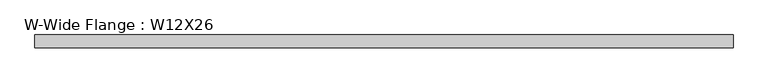
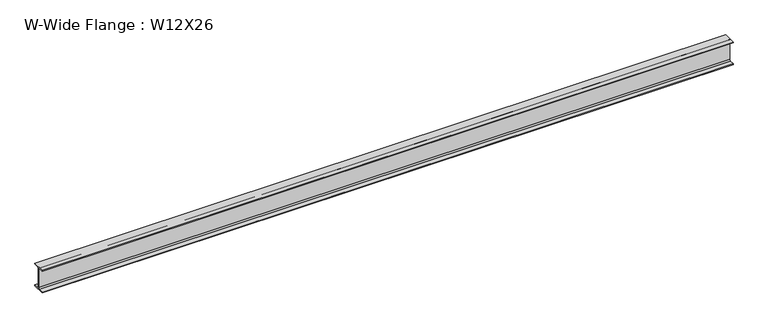
"""IFC4 building model written with IfcOpenShell, lengths in millimetres: beam geometry, W-Wide Flange : W12X26."""

import ifcopenshell
import ifcopenshell.guid

model = None  # the IFC model being written
_history = None  # IfcOwnerHistory: only IFC2X3 demands one
_inside = {}  # id of a spatial element -> (the spatial element, [elements in it])
_under = {}  # id of a project, library or spatial element -> (it, [spatial elements below it])
_declared = {}  # id of a project -> (the project, [libraries it declares])
_typed = {}  # id of a type object -> (the type object, [elements of that type])
_made_of = {}  # id of a material, layer set ... -> (it, [elements and type objects made of it])


def new_model(schema):
    """Start an empty IFC model of exactly this schema.

    Asked for "IFC4X3", IfcOpenShell would pick the latest addendum, in which some entities
    have other attributes; the version numbers below select the first issue.
    IFC2X3 requires an IfcOwnerHistory on every rooted entity: one is made here for all.
    """
    global model, _history
    if schema == "IFC4X3":
        model = ifcopenshell.file(schema_version=(4, 3, 0, 0))
    else:
        model = ifcopenshell.file(schema=schema)
    _inside.clear()
    _under.clear()
    _declared.clear()
    _typed.clear()
    _made_of.clear()
    _history = None
    if model.schema == "IFC2X3":
        org = make("IfcOrganization", Name="unknown")
        user = make(
            "IfcPersonAndOrganization",
            ThePerson=make("IfcPerson", FamilyName="unknown"),
            TheOrganization=org,
        )
        app = make(
            "IfcApplication",
            ApplicationDeveloper=org,
            Version="unknown",
            ApplicationFullName="unknown",
            ApplicationIdentifier="unknown",
        )
        _history = make(
            "IfcOwnerHistory",
            OwningUser=user,
            OwningApplication=app,
            ChangeAction="ADDED",
            CreationDate=0,
        )
    return model


def make(cls, **values):
    """One entity of the class cls with the attributes given. An attribute that is None is left unset."""
    return model.create_entity(
        cls, **{name: value for name, value in values.items() if value is not None}
    )


def rooted(cls, **values):
    """An entity with a GlobalId (a new one), such as an element, a storey or a relation."""
    return make(cls, GlobalId=ifcopenshell.guid.new(), OwnerHistory=_history, **values)


def si_unit(unit_type, name, prefix=None):
    """IfcSIUnit, for example si_unit("LENGTHUNIT", "METRE", prefix="MILLI")."""
    return make("IfcSIUnit", UnitType=unit_type, Prefix=prefix, Name=name)


def assignment(units):
    """IfcUnitAssignment: the units of a project."""
    return None if units is None else make("IfcUnitAssignment", Units=units)


def point(xyz):
    """IfcCartesianPoint."""
    return None if xyz is None else make("IfcCartesianPoint", Coordinates=xyz)


def direction(xyz):
    """IfcDirection."""
    return None if xyz is None else make("IfcDirection", DirectionRatios=xyz)


def frame(location, z_axis=None, x_axis=None):
    """IfcAxis2Placement3D, a coordinate frame: its origin and axes. An axis left out is left unset."""
    return make(
        "IfcAxis2Placement3D",
        Location=point(location),
        Axis=direction(z_axis),
        RefDirection=direction(x_axis),
    )


def frame_2d(location, x_axis=None):
    """IfcAxis2Placement2D, a coordinate frame in the plane: its origin and x axis."""
    return make(
        "IfcAxis2Placement2D", Location=point(location), RefDirection=direction(x_axis)
    )


def origin():
    """The frame at (0, 0, 0) with its axes left unset."""
    return frame((0.0, 0.0, 0.0))


def place(relative_to, where):
    """IfcLocalPlacement: puts the frame where relative to a parent placement (None: the world)."""
    return make(
        "IfcLocalPlacement", PlacementRelTo=relative_to, RelativePlacement=where
    )


def context(
    kind, dimensions, precision=None, world=None, true_north=None, identifier=None
):
    """IfcGeometricRepresentationContext, for example the 3D "Model" context."""
    return make(
        "IfcGeometricRepresentationContext",
        ContextIdentifier=identifier,
        ContextType=kind,
        CoordinateSpaceDimension=dimensions,
        Precision=precision,
        WorldCoordinateSystem=world,
        TrueNorth=true_north,
    )


def project(units=None, contexts=None):
    """IfcProject with its units and contexts."""
    return rooted(
        "IfcProject",
        Name="project",
        RepresentationContexts=contexts,
        UnitsInContext=assignment(units),
    )


def spatial(cls, under=None, at=None, **own):
    """A site, building, storey or space (cls), placed at a placement, below another one or the project."""
    s = rooted(cls, ObjectPlacement=at, **own)
    if under is not None:
        _under.setdefault(under.id(), (under, []))[1].append(s)
    return s


def polyline(points):
    """IfcPolyline through the points."""
    return make("IfcPolyline", Points=[point(p) for p in points])


def circle_curve(where, radius):
    """IfcCircle in the frame where."""
    return make("IfcCircle", Position=where, Radius=radius)


def trimmed(basis, trim1, trim2, sense, master):
    """IfcTrimmedCurve: the piece of a basis curve between two trims."""
    return make(
        "IfcTrimmedCurve",
        BasisCurve=basis,
        Trim1=trim1,
        Trim2=trim2,
        SenseAgreement=sense,
        MasterRepresentation=master,
    )


def segment(curve, same_sense, transition):
    """IfcCompositeCurveSegment."""
    return make(
        "IfcCompositeCurveSegment",
        Transition=transition,
        SameSense=same_sense,
        ParentCurve=curve,
    )


def composite_curve(segments, self_intersect=None):
    """IfcCompositeCurve: segments joined end to end."""
    return make("IfcCompositeCurve", Segments=segments, SelfIntersect=self_intersect)


def outline(outer, holes=None, kind="AREA"):
    """IfcArbitraryClosedProfileDef: a profile drawn as a closed curve; with holes, ...WithVoids."""
    if holes is None:
        return make("IfcArbitraryClosedProfileDef", ProfileType=kind, OuterCurve=outer)
    return make(
        "IfcArbitraryProfileDefWithVoids",
        ProfileType=kind,
        OuterCurve=outer,
        InnerCurves=holes,
    )


def extrude(swept, where, along, depth):
    """IfcExtrudedAreaSolid: the profile swept, set in the frame where, extruded along a direction by depth."""
    return make(
        "IfcExtrudedAreaSolid",
        SweptArea=swept,
        Position=where,
        ExtrudedDirection=direction(along),
        Depth=depth,
    )


def shape(context_of_items, identifier, shape_type, items):
    """IfcShapeRepresentation: the items that make up one representation, for example the "Body"."""
    return make(
        "IfcShapeRepresentation",
        ContextOfItems=context_of_items,
        RepresentationIdentifier=identifier,
        RepresentationType=shape_type,
        Items=items,
    )


def source(mapping_origin, context_of_items, identifier, shape_type, items):
    """IfcRepresentationMap: a shape defined once, which mapped items show again and again."""
    return make(
        "IfcRepresentationMap",
        MappingOrigin=mapping_origin,
        MappedRepresentation=shape(context_of_items, identifier, shape_type, items),
    )


def transform(
    local_origin,
    x_axis=None,
    y_axis=None,
    z_axis=None,
    scale=None,
    scale2=None,
    scale3=None,
    uniform=True,
):
    """IfcCartesianTransformationOperator3D, or its non-uniform kind. x_axis, y_axis, z_axis: its Axis1, 2, 3."""
    if uniform:
        return make(
            "IfcCartesianTransformationOperator3D",
            Axis1=direction(x_axis),
            Axis2=direction(y_axis),
            LocalOrigin=point(local_origin),
            Scale=scale,
            Axis3=direction(z_axis),
        )
    return make(
        "IfcCartesianTransformationOperator3DnonUniform",
        Axis1=direction(x_axis),
        Axis2=direction(y_axis),
        LocalOrigin=point(local_origin),
        Scale=scale,
        Axis3=direction(z_axis),
        Scale2=scale2,
        Scale3=scale3,
    )


def mapped(mapping_source, mapping_target):
    """IfcMappedItem: shows the shape of a source again, moved by a transform."""
    return make(
        "IfcMappedItem", MappingSource=mapping_source, MappingTarget=mapping_target
    )


def made_of(thing, what):
    """Note that an element or type object is made of a material, layer set ...; save() writes the relation."""
    if what is not None:
        _made_of.setdefault(what.id(), (what, []))[1].append(thing)
    return thing


def element(
    cls,
    number,
    at=None,
    inside=None,
    cuts=None,
    type_object=None,
    material=None,
    context=None,
    identifier="Body",
    shape_type=None,
    held_by="IfcProductDefinitionShape",
    body=None,
    shapes=None,
    **own,
):
    """One element of the class cls, such as IfcWall. Its Tag is "e" and its number.

    at: its placement. inside: the storey or other place that contains it. cuts: it is an
    opening in that element (IfcRelVoidsElement). A single representation is given by context,
    identifier, shape_type and body (its items); several are given by shapes. held_by: the class
    of the entity that holds the representations. save() writes the other relations.
    """
    e = rooted(cls, Tag="e%d" % number, ObjectPlacement=at, **own)
    if body is not None:
        shapes = [shape(context, identifier, shape_type, body)]
    if shapes is not None:
        e.Representation = make(held_by, Representations=shapes)
    if inside is not None:
        _inside.setdefault(inside.id(), (inside, []))[1].append(e)
    if cuts is not None:
        rooted(
            "IfcRelVoidsElement", RelatingBuildingElement=cuts, RelatedOpeningElement=e
        )
    if type_object is not None:
        _typed.setdefault(type_object.id(), (type_object, []))[1].append(e)
    return made_of(e, material)


def aggregate(whole, parts):
    """IfcRelAggregates: a whole, such as a stair, and the parts it consists of."""
    return rooted("IfcRelAggregates", RelatingObject=whole, RelatedObjects=parts)


def save(model, path):
    """Write the relations noted so far, then the file.

    IfcRelAggregates (storeys below a building ...), IfcRelContainedInSpatialStructure (elements
    in a storey), IfcRelDefinesByType, IfcRelAssociatesMaterial and IfcRelDeclares: one each for
    every whole, place, type object, material and project.
    """
    for whole, parts in _under.values():
        aggregate(whole, parts)
    for where, things in _inside.values():
        rooted(
            "IfcRelContainedInSpatialStructure",
            RelatedElements=things,
            RelatingStructure=where,
        )
    for kind, things in _typed.values():
        rooted("IfcRelDefinesByType", RelatedObjects=things, RelatingType=kind)
    for what, things in _made_of.values():
        rooted("IfcRelAssociatesMaterial", RelatedObjects=things, RelatingMaterial=what)
    for by, libraries in _declared.values():
        rooted("IfcRelDeclares", RelatingContext=by, RelatedDefinitions=libraries)
    model.write(path)


def w_wide_flange_w12x26_626db905(model_context):
    return source(origin(), model_context, "Body", "SweptSolid", [
        extrude(outline(composite_curve([segment(polyline([(82.4011719, -145.5539063), (82.4011719, -155.178125), (-82.4011719, -155.178125), (-82.4011719, -145.5539063), (-20.2902344, -145.5539063)]), True, "CONTINUOUS"), segment(trimmed(circle_curve(frame_2d((-20.2902344, -128.190625)), 17.3632812), [point((-20.2902344, -145.5539063))], [point((-2.9269531, -128.190625))], True, "CARTESIAN"), True, "CONTINUOUS"), segment(polyline([(-2.9269531, -128.190625), (-2.9269531, 128.190625)]), True, "CONTINUOUS"), segment(trimmed(circle_curve(frame_2d((-20.2902344, 128.190625)), 17.3632812), [point((-2.9269531, 128.190625))], [point((-20.2902344, 145.5539062))], True, "CARTESIAN"), True, "CONTINUOUS"), segment(polyline([(-20.2902344, 145.5539062), (-82.4011719, 145.5539062), (-82.4011719, 155.178125), (82.4011719, 155.178125), (82.4011719, 145.5539062), (20.2902344, 145.5539062)]), True, "CONTINUOUS"), segment(trimmed(circle_curve(frame_2d((20.2902344, 128.190625)), 17.3632812), [point((20.2902344, 145.5539062))], [point((2.9269531, 128.190625))], True, "CARTESIAN"), True, "CONTINUOUS"), segment(polyline([(2.9269531, 128.190625), (2.9269531, -128.190625)]), True, "CONTINUOUS"), segment(trimmed(circle_curve(frame_2d((20.2902344, -128.190625)), 17.3632812), [point((2.9269531, -128.190625))], [point((20.2902344, -145.5539063))], True, "CARTESIAN"), True, "CONTINUOUS"), segment(polyline([(20.2902344, -145.5539063), (82.4011719, -145.5539063)]), True, "CONTINUOUS")], self_intersect=False)), frame((-4457.9480469, 0.0, 0.0), z_axis=(1.0, 0.0, 0.0), x_axis=(0.0, 1.0, 0.0)), (0.0, 0.0, 1.0), 9042.6480463),
    ])


if __name__ == "__main__":
    model = new_model("IFC4")
    model_context = context("Model", 3, world=origin())
    ifc_project = project(units=[si_unit("LENGTHUNIT", "METRE", prefix="MILLI")], contexts=[model_context])
    site = spatial("IfcSite", under=ifc_project)
    building = spatial("IfcBuilding", under=site)
    placement = place(None, origin())
    w_wide_flange_w12x26_shape = w_wide_flange_w12x26_626db905(model_context)
    element("IfcBeam", 1, ObjectType="W-Wide Flange : W12X26", at=placement, inside=building, context=model_context, shape_type="MappedRepresentation", body=[
        mapped(w_wide_flange_w12x26_shape, transform((0.0, 0.0, 0.0), x_axis=(1.0, 0.0, 0.0), y_axis=(0.0, 1.0, 0.0), z_axis=(0.0, 0.0, 1.0))),
    ])
    save(model, "model.ifc")
